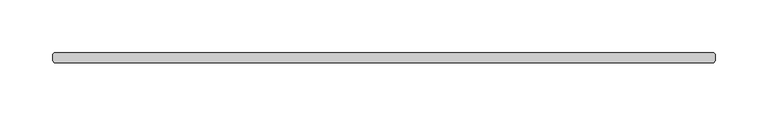
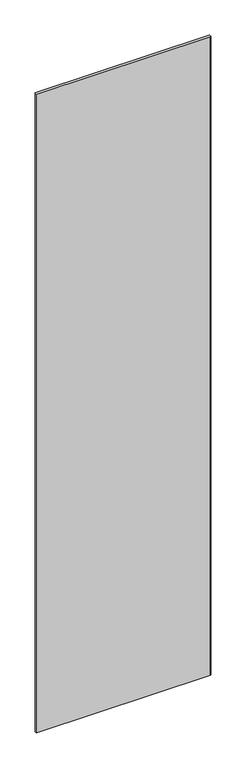
"""IFC4 building model written with IfcOpenShell, lengths in millimetres: plate geometry."""

from ifc_helpers import new_model, si_unit, origin, origin_with_axes, place, context, project, spatial, polyline, outline, extrude, source, transform, mapped, element, save


def plate_332611dc(model_context):
    return source(origin(), model_context, "Body", "SweptSolid", [
        extrude(outline(polyline([(313.134375, 34.925), (314.721875, 33.3375), (314.721875, 26.9875), (313.134375, 25.4), (-313.134375, 25.4), (-314.721875, 26.9875), (-314.721875, 33.3375), (-313.134375, 34.925), (313.134375, 34.925)])), origin_with_axes(), (0.0, 0.0, 1.0), 2428.7789267),
    ])


if __name__ == "__main__":
    model = new_model("IFC4")
    model_context = context("Model", 3, world=origin())
    ifc_project = project(units=[si_unit("LENGTHUNIT", "METRE", prefix="MILLI")], contexts=[model_context])
    site = spatial("IfcSite", under=ifc_project)
    building = spatial("IfcBuilding", under=site)
    placement = place(None, origin())
    plate_shape = plate_332611dc(model_context)
    element("IfcPlate", 1, at=placement, inside=building, context=model_context, shape_type="MappedRepresentation", body=[
        mapped(plate_shape, transform((0.0, 0.0, 0.0), x_axis=(1.0, 0.0, 0.0), y_axis=(0.0, 1.0, 0.0), z_axis=(0.0, 0.0, 1.0))),
    ])
    save(model, "model.ifc")
